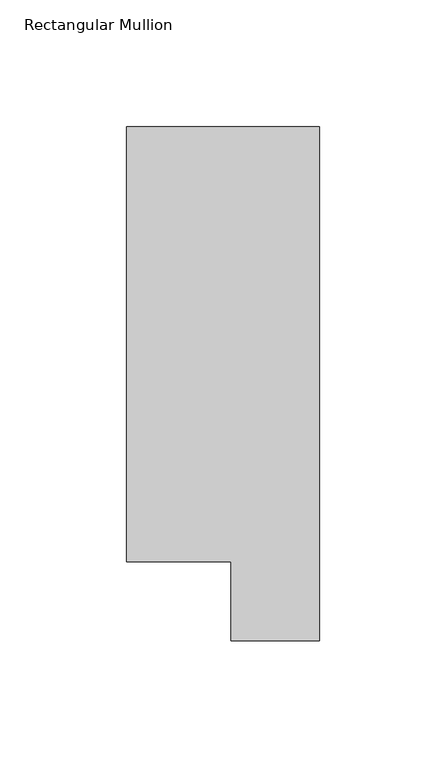
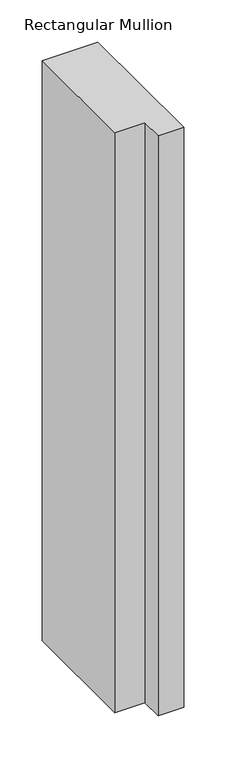
"""IFC4 building model written with IfcOpenShell, lengths in millimetres: member geometry, Rectangular Mullion."""

from ifc_helpers import new_model, si_unit, frame, origin, place, context, project, spatial, polyline, outline, extrude, source, transform, mapped, element, save


def rectangular_mullion_64cd0619(model_context):
    return source(origin(), model_context, "Body", "SweptSolid", [
        extrude(outline(polyline([(0.0, 222.5381312), (0.0, 19.5667313), (-34.9123, 19.5667313), (-34.9123, 50.820278), (-76.2, 50.820278), (-76.2, 222.5381312), (0.0, 222.5381312)])), frame((0.0, 0.0, -838.2), z_axis=(0.0, 0.0, 1.0), x_axis=(1.0, 0.0, 0.0)), (0.0, 0.0, 1.0), 838.2),
    ])


if __name__ == "__main__":
    model = new_model("IFC4")
    model_context = context("Model", 3, world=origin())
    ifc_project = project(units=[si_unit("LENGTHUNIT", "METRE", prefix="MILLI")], contexts=[model_context])
    site = spatial("IfcSite", under=ifc_project)
    building = spatial("IfcBuilding", under=site)
    placement = place(None, origin())
    rectangular_mullion_shape = rectangular_mullion_64cd0619(model_context)
    element("IfcMember", 1, ObjectType="Rectangular Mullion", at=placement, inside=building, context=model_context, shape_type="MappedRepresentation", body=[
        mapped(rectangular_mullion_shape, transform((0.0, 0.0, 0.0), x_axis=(1.0, 0.0, 0.0), y_axis=(0.0, 1.0, 0.0), z_axis=(0.0, 0.0, 1.0))),
    ])
    save(model, "model.ifc")
